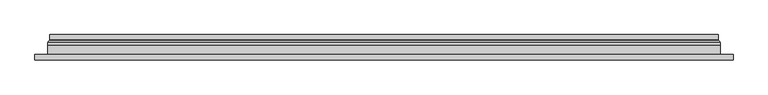
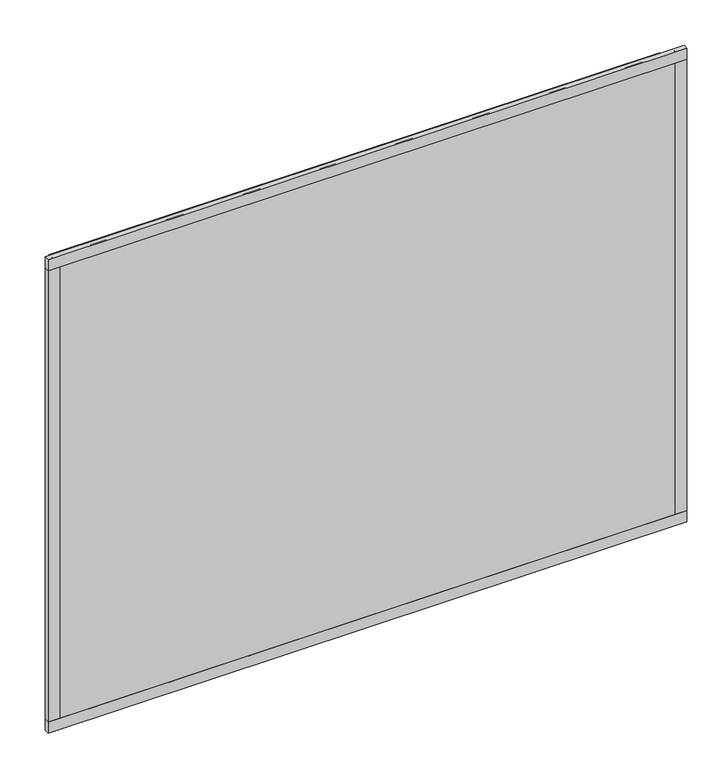
"""IFC4 building model written with IfcOpenShell, lengths in millimetres: plate geometry."""

from ifc_helpers import new_model, si_unit, frame, origin, place, context, project, spatial, polyline, ellipse_curve, outline, extrude, source, transform, mapped, element, save
from ifc_brep_helpers import plane_surface, cylinder_surface, revolved_surface, advanced_brep


def plate_ae02b7c9(model_context):
    return source(origin(), model_context, "Body", "SolidModel", [
        extrude(outline(polyline([(636.5, -23.0), (-636.5, -23.0), (-636.5, -13.51), (636.5, -13.51), (636.5, -23.0)])), frame((0.0, 0.0, -11.5), z_axis=(0.0, 0.0, 1.0), x_axis=(1.0, 0.0, 0.0)), (0.0, 0.0, 1.0), 23.0),
        extrude(outline(polyline([(636.5, -23.0), (-636.5, -23.0), (-636.5, -13.51), (636.5, -13.51), (636.5, -23.0)])), frame((0.0, 0.0, 963.5), z_axis=(0.0, 0.0, 1.0), x_axis=(1.0, 0.0, 0.0)), (0.0, 0.0, 1.0), 23.0),
        extrude(outline(polyline([(-636.5, -23.0), (-636.5, -13.51), (-613.5, -13.51), (-613.5, -23.0), (-636.5, -23.0)])), frame((0.0, 0.0, -11.5), z_axis=(0.0, 0.0, 1.0), x_axis=(1.0, 0.0, 0.0)), (0.0, 0.0, 1.0), 998.0),
        extrude(outline(polyline([(636.5, -23.0), (613.5, -23.0), (613.5, -13.51), (636.5, -13.51), (636.5, -23.0)])), frame((0.0, 0.0, -11.5), z_axis=(0.0, 0.0, 1.0), x_axis=(1.0, 0.0, 0.0)), (0.0, 0.0, 1.0), 998.0),
        extrude(outline(polyline([(11.5, -613.5), (11.5, 613.5), (963.5, 613.5), (963.5, -613.5), (11.5, -613.5)]), holes=[polyline([(33.5, 591.5), (33.5, -591.5), (941.5, -591.5), (941.5, 591.5), (33.5, 591.5)])]), frame((0.0, -17.0, 0.0), z_axis=(0.0, 1.0, 0.0), x_axis=(0.0, 0.0, 1.0)), (0.0, 0.0, 1.0), 20.0),
        extrude(outline(polyline([(33.5, -591.5), (33.5, 591.5), (941.5, 591.5), (941.5, -591.5), (33.5, -591.5)]), holes=[polyline([(38.5, 586.5), (38.5, -586.5), (936.5, -586.5), (936.5, 586.5), (38.5, 586.5)])]), frame((0.0, -17.0, 0.0), z_axis=(0.0, 1.0, 0.0), x_axis=(0.0, 0.0, 1.0)), (0.0, 0.0, 1.0), 20.0),
        extrude(outline(polyline([(613.5, 9.0), (613.5, 3.0), (-613.5, 3.0), (-613.5, 9.0), (613.5, 9.0)])), frame((0.0, 0.0, 11.5), z_axis=(0.0, 0.0, 1.0), x_axis=(1.0, 0.0, 0.0)), (0.0, 0.0, 1.0), 952.0),
        extrude(outline(polyline([(-613.5, -23.0), (-613.5, -17.0), (613.5, -17.0), (613.5, -23.0), (-613.5, -23.0)])), frame((0.0, 0.0, 11.5), z_axis=(0.0, 0.0, 1.0), x_axis=(1.0, 0.0, 0.0)), (0.0, 0.0, 1.0), 952.0),
        advanced_brep(
        [(-609.0, 23.0, 16.0), (609.0, 23.0, 16.0), (609.0, 13.9230471, 16.0), (-609.0, 13.9230471, 16.0), (-600.0, 12.9110883, 25.0), (600.0, 12.9110883, 25.0), (600.0, 23.0, 25.0), (-600.0, 23.0, 25.0), (609.0, 23.0, 959.0), (609.0, 13.9230471, 959.0), (600.0, 12.9110883, 950.0), (600.0, 23.0, 950.0), (-609.0, 23.0, 959.0), (-609.0, 13.9230471, 959.0), (-600.0, 12.9110883, 950.0), (-600.0, 23.0, 950.0), (-610.2540757, 9.0, 14.7459243), (610.2540757, 9.0, 14.7459243), (610.2540757, 9.0, 960.2540757), (-610.2540757, 9.0, 960.2540757), (599.7, 9.0, 25.3), (-599.7, 9.0, 25.3), (-599.7, 9.0, 949.7), (599.7, 9.0, 949.7), (-599.0625, 11.2166581, 25.9375), (599.0625, 11.2166581, 25.9375), (-610.5737575, 11.9689955, 14.4262425), (610.5737575, 11.9689955, 14.4262425), (599.0625, 11.2166581, 949.0625), (610.5737575, 11.9689955, 960.5737575), (-599.0625, 11.2166581, 949.0625), (-610.5737575, 11.9689955, 960.5737575)],
        [
            (0, 1),
            (1, 2),
            (2, 3),
            (3, 0),
            (4, 5),
            (5, 6),
            (6, 7),
            (7, 4),
            (1, 8),
            (8, 9),
            (9, 2),
            (5, 10),
            (10, 11),
            (11, 6),
            (8, 12),
            (12, 13),
            (13, 9),
            (10, 14),
            (14, 15),
            (15, 11),
            (16, 17),
            (17, 18),
            (18, 19),
            (19, 16),
            (20, 21),
            (21, 22),
            (22, 23),
            (23, 20),
            (12, 0),
            (3, 13),
            (15, 7),
            (14, 4),
            (24, 25),
            (25, 5, ellipse_curve(frame((598.0, 12.9110883, 27.0), z_axis=(0.7071067811865475, 0.0, 0.7071067811865475), x_axis=(0.7071067811865476, 0.0, -0.7071067811865474)), 2.8284271, 2.0)),
            (4, 24, ellipse_curve(frame((-598.0, 12.9110883, 27.0), z_axis=(-0.7071067811865475, 0.0, 0.7071067811865475), x_axis=(0.7071067811865476, 0.0, 0.7071067811865474)), 2.8284271, 2.0)),
            (20, 25, ellipse_curve(frame((599.7, 10.2, 25.3), z_axis=(-0.7071067811865475, 0.0, -0.7071067811865475), x_axis=(-0.7071067811865476, 0.0, 0.7071067811865474)), 1.6970563, 1.2)),
            (24, 21, ellipse_curve(frame((-599.7, 10.2, 25.3), z_axis=(0.7071067811865475, 0.0, -0.7071067811865475), x_axis=(-0.7071067811865476, 0.0, -0.7071067811865474)), 1.6970563, 1.2)),
            (26, 27),
            (27, 17, ellipse_curve(frame((610.2540757, 10.5034569, 14.7459243), z_axis=(-0.7071067811865475, 0.0, -0.7071067811865475), x_axis=(-0.7071067811865476, 0.0, 0.7071067811865474)), 2.1213203, 1.5)),
            (16, 26, ellipse_curve(frame((-610.2540757, 10.5034569, 14.7459243), z_axis=(0.7071067811865475, 0.0, -0.7071067811865475), x_axis=(-0.7071067811865476, 0.0, -0.7071067811865474)), 2.1213203, 1.5)),
            (25, 28),
            (28, 10, ellipse_curve(frame((598.0, 12.9110883, 948.0), z_axis=(-0.7071067811865475, 0.0, 0.7071067811865475), x_axis=(0.7071067811865474, 0.0, 0.7071067811865476)), 2.8284271, 2.0)),
            (23, 28, ellipse_curve(frame((599.7, 10.2, 949.7), z_axis=(0.7071067811865475, 0.0, -0.7071067811865475), x_axis=(-0.7071067811865474, 0.0, -0.7071067811865476)), 1.6970563, 1.2)),
            (27, 29),
            (29, 18, ellipse_curve(frame((610.2540757, 10.5034569, 960.2540757), z_axis=(0.7071067811865475, 0.0, -0.7071067811865475), x_axis=(-0.7071067811865474, 0.0, -0.7071067811865476)), 2.1213203, 1.5)),
            (28, 30),
            (30, 14, ellipse_curve(frame((-598.0, 12.9110883, 948.0), z_axis=(-0.7071067811865475, 0.0, -0.7071067811865475), x_axis=(-0.7071067811865476, 0.0, 0.7071067811865474)), 2.8284271, 2.0)),
            (22, 30, ellipse_curve(frame((-599.7, 10.2, 949.7), z_axis=(0.7071067811865475, 0.0, 0.7071067811865475), x_axis=(0.7071067811865476, 0.0, -0.7071067811865474)), 1.6970563, 1.2)),
            (29, 31),
            (31, 19, ellipse_curve(frame((-610.2540757, 10.5034569, 960.2540757), z_axis=(0.7071067811865475, 0.0, 0.7071067811865475), x_axis=(0.7071067811865476, 0.0, -0.7071067811865474)), 2.1213203, 1.5)),
            (30, 24),
            (31, 26),
            (2, 27, ellipse_curve(frame((611.0, 13.9230471, 14.0), z_axis=(0.7071067811865475, 0.0, 0.7071067811865475), x_axis=(0.7071067811865476, 0.0, -0.7071067811865474)), 2.8284271, 2.0)),
            (26, 3, ellipse_curve(frame((-611.0, 13.9230471, 14.0), z_axis=(-0.7071067811865475, 0.0, 0.7071067811865475), x_axis=(0.7071067811865476, 0.0, 0.7071067811865474)), 2.8284271, 2.0)),
            (9, 29, ellipse_curve(frame((611.0, 13.9230471, 961.0), z_axis=(-0.7071067811865475, 0.0, 0.7071067811865475), x_axis=(0.7071067811865474, 0.0, 0.7071067811865476)), 2.8284271, 2.0)),
            (13, 31, ellipse_curve(frame((-611.0, 13.9230471, 961.0), z_axis=(-0.7071067811865475, 0.0, -0.7071067811865475), x_axis=(-0.7071067811865476, 0.0, 0.7071067811865474)), 2.8284271, 2.0)),
        ],
        [
            plane_surface(frame((-609.0, 13.9230471, 16.0), z_axis=(0.0, 0.0, -1.0), x_axis=(1.0, 0.0, 0.0))),
            plane_surface(frame((-600.0, 23.0, 25.0), z_axis=(0.0, 0.0, 1.0), x_axis=(1.0, 0.0, 0.0))),
            plane_surface(frame((609.0, 13.9230471, 16.0), z_axis=(1.0, 0.0, 0.0), x_axis=(0.0, 0.0, 1.0))),
            plane_surface(frame((600.0, 23.0, 25.0), z_axis=(-1.0, 0.0, 0.0), x_axis=(0.0, 0.0, 1.0))),
            plane_surface(frame((609.0, 13.9230471, 959.0), z_axis=(0.0, 0.0, 1.0), x_axis=(-1.0, 0.0, 0.0))),
            plane_surface(frame((600.0, 23.0, 950.0), z_axis=(0.0, 0.0, -1.0), x_axis=(-1.0, 0.0, 0.0))),
            plane_surface(frame((-599.7, 9.0, 949.7), z_axis=(0.0, -1.0, 0.0), x_axis=(0.0, 0.0, -1.0))),
            plane_surface(frame((-609.0, 13.9230471, 959.0), z_axis=(-1.0, 0.0, 0.0), x_axis=(0.0, 0.0, -1.0))),
            plane_surface(frame((-609.0, 23.0, 959.0), z_axis=(0.0, 1.0, 0.0), x_axis=(0.0, 0.0, -1.0))),
            plane_surface(frame((-600.0, 23.0, 950.0), z_axis=(1.0, 0.0, 0.0), x_axis=(0.0, 0.0, -1.0))),
            revolved_surface(polyline([(600.0, 10.9110883, 27.0), (-600.0, 10.9110883, 27.0)]), (-613.5, 12.9110883, 27.0), (1.0, 0.0, 0.0)),
            cylinder_surface(frame((-613.5, 10.2, 25.3), z_axis=(-1.0, 0.0, 0.0), x_axis=(0.0, -1.0, 0.0)), 1.2),
            cylinder_surface(frame((-613.5, 10.5034569, 14.7459243), z_axis=(-1.0, 0.0, 0.0), x_axis=(0.0, -1.0, 0.0)), 1.5),
            revolved_surface(polyline([(598.0, 10.9110883, 950.0), (598.0, 10.9110883, 25.0)]), (598.0, 12.9110883, 11.5), (0.0, 0.0, 1.0)),
            cylinder_surface(frame((599.7, 10.2, 11.5), z_axis=(0.0, 0.0, -1.0), x_axis=(0.0, -1.0, 0.0)), 1.2),
            cylinder_surface(frame((610.2540757, 10.5034569, 11.5), z_axis=(0.0, 0.0, -1.0), x_axis=(0.0, -1.0, 0.0)), 1.5),
            revolved_surface(polyline([(-600.0, 10.9110883, 948.0), (600.0, 10.9110883, 948.0)]), (613.5, 12.9110883, 948.0), (-1.0, 0.0, 0.0)),
            cylinder_surface(frame((613.5, 10.2, 949.7), z_axis=(1.0, 0.0, 0.0), x_axis=(0.0, -1.0, 0.0)), 1.2),
            cylinder_surface(frame((613.5, 10.5034569, 960.2540757), z_axis=(1.0, 0.0, 0.0), x_axis=(0.0, -1.0, 0.0)), 1.5),
            revolved_surface(polyline([(-598.0, 10.9110883, 25.0), (-598.0, 10.9110883, 950.0)]), (-598.0, 12.9110883, 963.5), (0.0, 0.0, -1.0)),
            cylinder_surface(frame((-599.7, 10.2, 963.5), z_axis=(0.0, 0.0, 1.0), x_axis=(0.0, -1.0, 0.0)), 1.2),
            cylinder_surface(frame((-610.2540757, 10.5034569, 963.5), z_axis=(0.0, 0.0, 1.0), x_axis=(0.0, -1.0, 0.0)), 1.5),
            revolved_surface(polyline([(612.9999999825018, 11.9230471, 14.0), (-612.9999999825018, 11.9230471, 14.0)]), (-613.5, 13.9230471, 14.0), (1.0, 0.0, 0.0)),
            revolved_surface(polyline([(611.0, 11.9230471, 962.9999999825018), (611.0, 11.9230471, 12.000000017498198)]), (611.0, 13.9230471, 11.5), (0.0, 0.0, 1.0)),
            revolved_surface(polyline([(-612.9999999825018, 11.9230471, 961.0), (612.9999999825018, 11.9230471, 961.0)]), (613.5, 13.9230471, 961.0), (-1.0, 0.0, 0.0)),
            revolved_surface(polyline([(-611.0, 11.9230471, 12.000000017498223), (-611.0, 11.9230471, 962.9999999825018)]), (-611.0, 13.9230471, 963.5), (0.0, 0.0, -1.0)),
        ],
        [
            (0, [[1, 2, 3, 4]]),
            (1, [[5, 6, 7, 8]]),
            (2, [[9, 10, 11, -2]]),
            (3, [[12, 13, 14, -6]]),
            (4, [[15, 16, 17, -10]]),
            (5, [[18, 19, 20, -13]]),
            (6, [[21, 22, 23, 24], [25, 26, 27, 28]]),
            (7, [[29, -4, 30, -16]]),
            (8, [[-1, -29, -15, -9], [-7, -14, -20, 31]]),
            (9, [[32, -8, -31, -19]]),
            (10, [[33, 34, -5, 35]]),
            (11, [[-25, 36, -33, 37]]),
            (12, [[38, 39, -21, 40]]),
            (13, [[41, 42, -12, -34]]),
            (14, [[-28, 43, -41, -36]]),
            (15, [[44, 45, -22, -39]]),
            (16, [[46, 47, -18, -42]]),
            (17, [[-27, 48, -46, -43]]),
            (18, [[49, 50, -23, -45]]),
            (19, [[51, -35, -32, -47]]),
            (20, [[-26, -37, -51, -48]]),
            (21, [[52, -40, -24, -50]]),
            (22, [[-3, 53, -38, 54]]),
            (23, [[-11, 55, -44, -53]]),
            (24, [[-17, 56, -49, -55]]),
            (25, [[-30, -54, -52, -56]]),
        ],
    ),
    ])


if __name__ == "__main__":
    model = new_model("IFC4")
    model_context = context("Model", 3, world=origin())
    ifc_project = project(units=[si_unit("LENGTHUNIT", "METRE", prefix="MILLI")], contexts=[model_context])
    site = spatial("IfcSite", under=ifc_project)
    building = spatial("IfcBuilding", under=site)
    placement = place(None, origin())
    plate_shape = plate_ae02b7c9(model_context)
    element("IfcPlate", 1, at=placement, inside=building, context=model_context, shape_type="MappedRepresentation", body=[
        mapped(plate_shape, transform((0.0, 0.0, 0.0), x_axis=(1.0, 0.0, 0.0), y_axis=(0.0, 1.0, 0.0), z_axis=(0.0, 0.0, 1.0))),
    ])
    save(model, "model.ifc")
